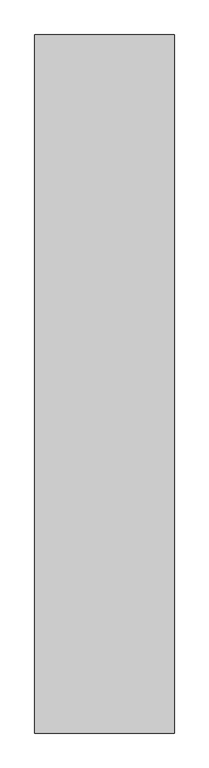
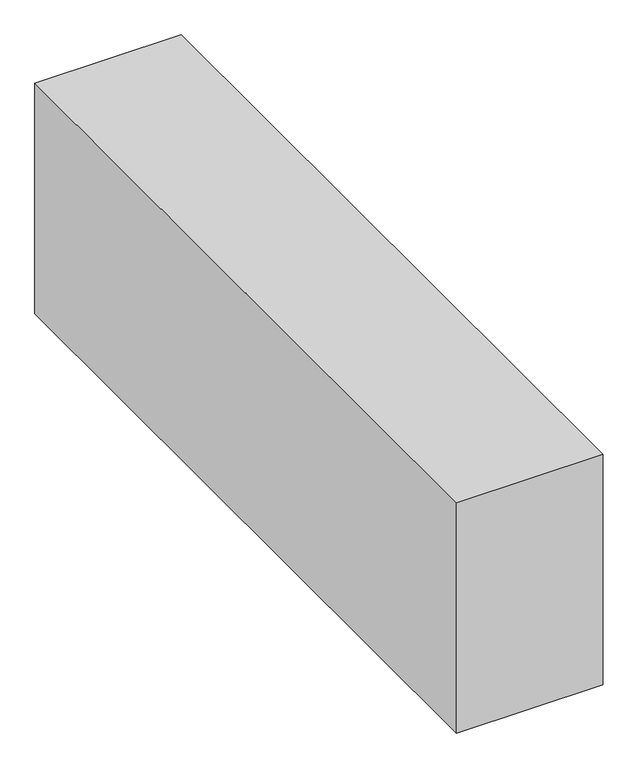
"""IFC4 building model written with IfcOpenShell, lengths in millimetres: proxy geometry."""

from ifc_helpers import new_model, si_unit, frame, origin, place, context, project, spatial, polyline, outline, extrude, source, transform, mapped, element, save


def generic_models_984c9895(model_context):
    return source(origin(), model_context, "Body", "SweptSolid", [
        extrude(outline(polyline([(1200.0, 6000.0), (1200.0, 0.0), (0.0, 0.0), (0.0, 6000.0), (1200.0, 6000.0)])), frame((0.0, 0.0, 4000.0), z_axis=(0.0, 0.0, 1.0), x_axis=(1.0, 0.0, 0.0)), (0.0, 0.0, 1.0), 2000.0),
    ])


if __name__ == "__main__":
    model = new_model("IFC4")
    model_context = context("Model", 3, world=origin())
    ifc_project = project(units=[si_unit("LENGTHUNIT", "METRE", prefix="MILLI")], contexts=[model_context])
    site = spatial("IfcSite", under=ifc_project)
    building = spatial("IfcBuilding", under=site)
    placement = place(None, origin())
    generic_models_shape = generic_models_984c9895(model_context)
    element("IfcBuildingElementProxy", 1, Name="Generic Models", at=placement, inside=building, context=model_context, shape_type="MappedRepresentation", body=[
        mapped(generic_models_shape, transform((0.0, 0.0, 0.0), x_axis=(1.0, 0.0, 0.0), y_axis=(0.0, 1.0, 0.0), z_axis=(0.0, 0.0, 1.0))),
    ])
    save(model, "model.ifc")
